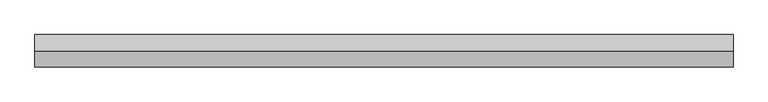
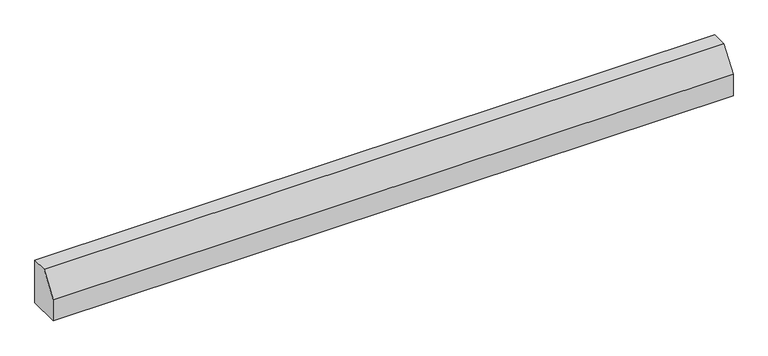
"""IFC4 building model written with IfcOpenShell, lengths in millimetres: proxy geometry."""

import ifcopenshell
import ifcopenshell.guid

model = None  # the IFC model being written
_history = None  # IfcOwnerHistory: only IFC2X3 demands one
_inside = {}  # id of a spatial element -> (the spatial element, [elements in it])
_under = {}  # id of a project, library or spatial element -> (it, [spatial elements below it])
_declared = {}  # id of a project -> (the project, [libraries it declares])
_typed = {}  # id of a type object -> (the type object, [elements of that type])
_made_of = {}  # id of a material, layer set ... -> (it, [elements and type objects made of it])


def new_model(schema):
    """Start an empty IFC model of exactly this schema.

    Asked for "IFC4X3", IfcOpenShell would pick the latest addendum, in which some entities
    have other attributes; the version numbers below select the first issue.
    IFC2X3 requires an IfcOwnerHistory on every rooted entity: one is made here for all.
    """
    global model, _history
    if schema == "IFC4X3":
        model = ifcopenshell.file(schema_version=(4, 3, 0, 0))
    else:
        model = ifcopenshell.file(schema=schema)
    _inside.clear()
    _under.clear()
    _declared.clear()
    _typed.clear()
    _made_of.clear()
    _history = None
    if model.schema == "IFC2X3":
        org = make("IfcOrganization", Name="unknown")
        user = make(
            "IfcPersonAndOrganization",
            ThePerson=make("IfcPerson", FamilyName="unknown"),
            TheOrganization=org,
        )
        app = make(
            "IfcApplication",
            ApplicationDeveloper=org,
            Version="unknown",
            ApplicationFullName="unknown",
            ApplicationIdentifier="unknown",
        )
        _history = make(
            "IfcOwnerHistory",
            OwningUser=user,
            OwningApplication=app,
            ChangeAction="ADDED",
            CreationDate=0,
        )
    return model


def make(cls, **values):
    """One entity of the class cls with the attributes given. An attribute that is None is left unset."""
    return model.create_entity(
        cls, **{name: value for name, value in values.items() if value is not None}
    )


def rooted(cls, **values):
    """An entity with a GlobalId (a new one), such as an element, a storey or a relation."""
    return make(cls, GlobalId=ifcopenshell.guid.new(), OwnerHistory=_history, **values)


def si_unit(unit_type, name, prefix=None):
    """IfcSIUnit, for example si_unit("LENGTHUNIT", "METRE", prefix="MILLI")."""
    return make("IfcSIUnit", UnitType=unit_type, Prefix=prefix, Name=name)


def assignment(units):
    """IfcUnitAssignment: the units of a project."""
    return None if units is None else make("IfcUnitAssignment", Units=units)


def point(xyz):
    """IfcCartesianPoint."""
    return None if xyz is None else make("IfcCartesianPoint", Coordinates=xyz)


def direction(xyz):
    """IfcDirection."""
    return None if xyz is None else make("IfcDirection", DirectionRatios=xyz)


def frame(location, z_axis=None, x_axis=None):
    """IfcAxis2Placement3D, a coordinate frame: its origin and axes. An axis left out is left unset."""
    return make(
        "IfcAxis2Placement3D",
        Location=point(location),
        Axis=direction(z_axis),
        RefDirection=direction(x_axis),
    )


def origin():
    """The frame at (0, 0, 0) with its axes left unset."""
    return frame((0.0, 0.0, 0.0))


def place(relative_to, where):
    """IfcLocalPlacement: puts the frame where relative to a parent placement (None: the world)."""
    return make(
        "IfcLocalPlacement", PlacementRelTo=relative_to, RelativePlacement=where
    )


def context(
    kind, dimensions, precision=None, world=None, true_north=None, identifier=None
):
    """IfcGeometricRepresentationContext, for example the 3D "Model" context."""
    return make(
        "IfcGeometricRepresentationContext",
        ContextIdentifier=identifier,
        ContextType=kind,
        CoordinateSpaceDimension=dimensions,
        Precision=precision,
        WorldCoordinateSystem=world,
        TrueNorth=true_north,
    )


def project(units=None, contexts=None):
    """IfcProject with its units and contexts."""
    return rooted(
        "IfcProject",
        Name="project",
        RepresentationContexts=contexts,
        UnitsInContext=assignment(units),
    )


def spatial(cls, under=None, at=None, **own):
    """A site, building, storey or space (cls), placed at a placement, below another one or the project."""
    s = rooted(cls, ObjectPlacement=at, **own)
    if under is not None:
        _under.setdefault(under.id(), (under, []))[1].append(s)
    return s


def polyline(points):
    """IfcPolyline through the points."""
    return make("IfcPolyline", Points=[point(p) for p in points])


def outline(outer, holes=None, kind="AREA"):
    """IfcArbitraryClosedProfileDef: a profile drawn as a closed curve; with holes, ...WithVoids."""
    if holes is None:
        return make("IfcArbitraryClosedProfileDef", ProfileType=kind, OuterCurve=outer)
    return make(
        "IfcArbitraryProfileDefWithVoids",
        ProfileType=kind,
        OuterCurve=outer,
        InnerCurves=holes,
    )


def extrude(swept, where, along, depth):
    """IfcExtrudedAreaSolid: the profile swept, set in the frame where, extruded along a direction by depth."""
    return make(
        "IfcExtrudedAreaSolid",
        SweptArea=swept,
        Position=where,
        ExtrudedDirection=direction(along),
        Depth=depth,
    )


def shape(context_of_items, identifier, shape_type, items):
    """IfcShapeRepresentation: the items that make up one representation, for example the "Body"."""
    return make(
        "IfcShapeRepresentation",
        ContextOfItems=context_of_items,
        RepresentationIdentifier=identifier,
        RepresentationType=shape_type,
        Items=items,
    )


def source(mapping_origin, context_of_items, identifier, shape_type, items):
    """IfcRepresentationMap: a shape defined once, which mapped items show again and again."""
    return make(
        "IfcRepresentationMap",
        MappingOrigin=mapping_origin,
        MappedRepresentation=shape(context_of_items, identifier, shape_type, items),
    )


def transform(
    local_origin,
    x_axis=None,
    y_axis=None,
    z_axis=None,
    scale=None,
    scale2=None,
    scale3=None,
    uniform=True,
):
    """IfcCartesianTransformationOperator3D, or its non-uniform kind. x_axis, y_axis, z_axis: its Axis1, 2, 3."""
    if uniform:
        return make(
            "IfcCartesianTransformationOperator3D",
            Axis1=direction(x_axis),
            Axis2=direction(y_axis),
            LocalOrigin=point(local_origin),
            Scale=scale,
            Axis3=direction(z_axis),
        )
    return make(
        "IfcCartesianTransformationOperator3DnonUniform",
        Axis1=direction(x_axis),
        Axis2=direction(y_axis),
        LocalOrigin=point(local_origin),
        Scale=scale,
        Axis3=direction(z_axis),
        Scale2=scale2,
        Scale3=scale3,
    )


def mapped(mapping_source, mapping_target):
    """IfcMappedItem: shows the shape of a source again, moved by a transform."""
    return make(
        "IfcMappedItem", MappingSource=mapping_source, MappingTarget=mapping_target
    )


def made_of(thing, what):
    """Note that an element or type object is made of a material, layer set ...; save() writes the relation."""
    if what is not None:
        _made_of.setdefault(what.id(), (what, []))[1].append(thing)
    return thing


def element(
    cls,
    number,
    at=None,
    inside=None,
    cuts=None,
    type_object=None,
    material=None,
    context=None,
    identifier="Body",
    shape_type=None,
    held_by="IfcProductDefinitionShape",
    body=None,
    shapes=None,
    **own,
):
    """One element of the class cls, such as IfcWall. Its Tag is "e" and its number.

    at: its placement. inside: the storey or other place that contains it. cuts: it is an
    opening in that element (IfcRelVoidsElement). A single representation is given by context,
    identifier, shape_type and body (its items); several are given by shapes. held_by: the class
    of the entity that holds the representations. save() writes the other relations.
    """
    e = rooted(cls, Tag="e%d" % number, ObjectPlacement=at, **own)
    if body is not None:
        shapes = [shape(context, identifier, shape_type, body)]
    if shapes is not None:
        e.Representation = make(held_by, Representations=shapes)
    if inside is not None:
        _inside.setdefault(inside.id(), (inside, []))[1].append(e)
    if cuts is not None:
        rooted(
            "IfcRelVoidsElement", RelatingBuildingElement=cuts, RelatedOpeningElement=e
        )
    if type_object is not None:
        _typed.setdefault(type_object.id(), (type_object, []))[1].append(e)
    return made_of(e, material)


def aggregate(whole, parts):
    """IfcRelAggregates: a whole, such as a stair, and the parts it consists of."""
    return rooted("IfcRelAggregates", RelatingObject=whole, RelatedObjects=parts)


def save(model, path):
    """Write the relations noted so far, then the file.

    IfcRelAggregates (storeys below a building ...), IfcRelContainedInSpatialStructure (elements
    in a storey), IfcRelDefinesByType, IfcRelAssociatesMaterial and IfcRelDeclares: one each for
    every whole, place, type object, material and project.
    """
    for whole, parts in _under.values():
        aggregate(whole, parts)
    for where, things in _inside.values():
        rooted(
            "IfcRelContainedInSpatialStructure",
            RelatedElements=things,
            RelatingStructure=where,
        )
    for kind, things in _typed.values():
        rooted("IfcRelDefinesByType", RelatedObjects=things, RelatingType=kind)
    for what, things in _made_of.values():
        rooted("IfcRelAssociatesMaterial", RelatedObjects=things, RelatingMaterial=what)
    for by, libraries in _declared.values():
        rooted("IfcRelDeclares", RelatingContext=by, RelatedDefinitions=libraries)
    model.write(path)


def generic_models_416d20ef(model_context):
    return source(origin(), model_context, "Body", "SweptSolid", [
        extrude(outline(polyline([(6412.8552788, 8500.0), (6762.8552788, 8500.0), (6762.8552788, 7500.0), (6062.8552788, 7500.0), (6062.8552788, 8000.0), (6412.8552788, 8500.0)])), frame((-1327.4680391, 0.0, 0.0), z_axis=(1.0, 0.0, 0.0), x_axis=(0.0, 1.0, 0.0)), (0.0, 0.0, 1.0), 15045.5185686),
    ])


if __name__ == "__main__":
    model = new_model("IFC4")
    model_context = context("Model", 3, world=origin())
    ifc_project = project(units=[si_unit("LENGTHUNIT", "METRE", prefix="MILLI")], contexts=[model_context])
    site = spatial("IfcSite", under=ifc_project)
    building = spatial("IfcBuilding", under=site)
    placement = place(None, origin())
    generic_models_shape = generic_models_416d20ef(model_context)
    element("IfcBuildingElementProxy", 1, Name="Generic Models", at=placement, inside=building, context=model_context, shape_type="MappedRepresentation", body=[
        mapped(generic_models_shape, transform((0.0, 0.0, 0.0), x_axis=(1.0, 0.0, 0.0), y_axis=(0.0, 1.0, 0.0), z_axis=(0.0, 0.0, 1.0))),
    ])
    save(model, "model.ifc")
